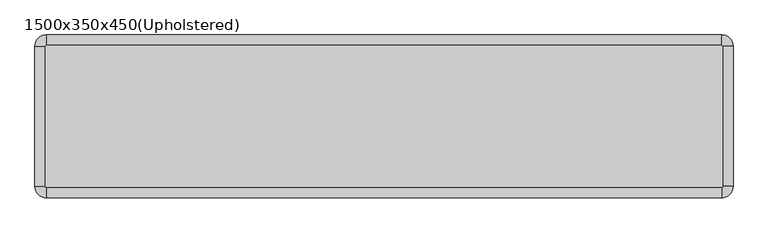
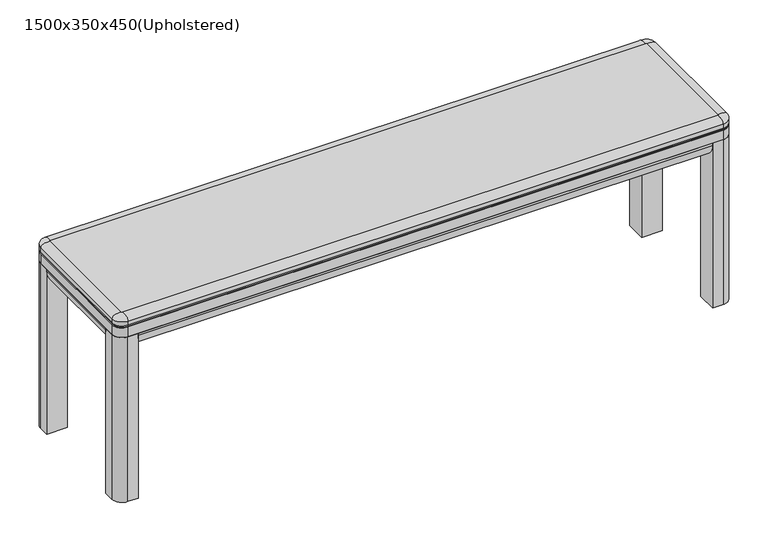
"""IFC4 building model written with IfcOpenShell, lengths in millimetres: furniture geometry, 1500x350x450(Upholstered)."""

import ifcopenshell
import ifcopenshell.guid

model = None  # the IFC model being written
_history = None  # IfcOwnerHistory: only IFC2X3 demands one
_inside = {}  # id of a spatial element -> (the spatial element, [elements in it])
_under = {}  # id of a project, library or spatial element -> (it, [spatial elements below it])
_declared = {}  # id of a project -> (the project, [libraries it declares])
_typed = {}  # id of a type object -> (the type object, [elements of that type])
_made_of = {}  # id of a material, layer set ... -> (it, [elements and type objects made of it])


def new_model(schema):
    """Start an empty IFC model of exactly this schema.

    Asked for "IFC4X3", IfcOpenShell would pick the latest addendum, in which some entities
    have other attributes; the version numbers below select the first issue.
    IFC2X3 requires an IfcOwnerHistory on every rooted entity: one is made here for all.
    """
    global model, _history
    if schema == "IFC4X3":
        model = ifcopenshell.file(schema_version=(4, 3, 0, 0))
    else:
        model = ifcopenshell.file(schema=schema)
    _inside.clear()
    _under.clear()
    _declared.clear()
    _typed.clear()
    _made_of.clear()
    _history = None
    if model.schema == "IFC2X3":
        org = make("IfcOrganization", Name="unknown")
        user = make(
            "IfcPersonAndOrganization",
            ThePerson=make("IfcPerson", FamilyName="unknown"),
            TheOrganization=org,
        )
        app = make(
            "IfcApplication",
            ApplicationDeveloper=org,
            Version="unknown",
            ApplicationFullName="unknown",
            ApplicationIdentifier="unknown",
        )
        _history = make(
            "IfcOwnerHistory",
            OwningUser=user,
            OwningApplication=app,
            ChangeAction="ADDED",
            CreationDate=0,
        )
    return model


def make(cls, **values):
    """One entity of the class cls with the attributes given. An attribute that is None is left unset."""
    return model.create_entity(
        cls, **{name: value for name, value in values.items() if value is not None}
    )


def rooted(cls, **values):
    """An entity with a GlobalId (a new one), such as an element, a storey or a relation."""
    return make(cls, GlobalId=ifcopenshell.guid.new(), OwnerHistory=_history, **values)


def si_unit(unit_type, name, prefix=None):
    """IfcSIUnit, for example si_unit("LENGTHUNIT", "METRE", prefix="MILLI")."""
    return make("IfcSIUnit", UnitType=unit_type, Prefix=prefix, Name=name)


def assignment(units):
    """IfcUnitAssignment: the units of a project."""
    return None if units is None else make("IfcUnitAssignment", Units=units)


def point(xyz):
    """IfcCartesianPoint."""
    return None if xyz is None else make("IfcCartesianPoint", Coordinates=xyz)


def direction(xyz):
    """IfcDirection."""
    return None if xyz is None else make("IfcDirection", DirectionRatios=xyz)


def frame(location, z_axis=None, x_axis=None):
    """IfcAxis2Placement3D, a coordinate frame: its origin and axes. An axis left out is left unset."""
    return make(
        "IfcAxis2Placement3D",
        Location=point(location),
        Axis=direction(z_axis),
        RefDirection=direction(x_axis),
    )


def frame_2d(location, x_axis=None):
    """IfcAxis2Placement2D, a coordinate frame in the plane: its origin and x axis."""
    return make(
        "IfcAxis2Placement2D", Location=point(location), RefDirection=direction(x_axis)
    )


def origin():
    """The frame at (0, 0, 0) with its axes left unset."""
    return frame((0.0, 0.0, 0.0))


def origin_with_axes():
    """The frame at (0, 0, 0) with the z axis (0, 0, 1) and the x axis (1, 0, 0) written out."""
    return frame((0.0, 0.0, 0.0), z_axis=(0.0, 0.0, 1.0), x_axis=(1.0, 0.0, 0.0))


def place(relative_to, where):
    """IfcLocalPlacement: puts the frame where relative to a parent placement (None: the world)."""
    return make(
        "IfcLocalPlacement", PlacementRelTo=relative_to, RelativePlacement=where
    )


def context(
    kind, dimensions, precision=None, world=None, true_north=None, identifier=None
):
    """IfcGeometricRepresentationContext, for example the 3D "Model" context."""
    return make(
        "IfcGeometricRepresentationContext",
        ContextIdentifier=identifier,
        ContextType=kind,
        CoordinateSpaceDimension=dimensions,
        Precision=precision,
        WorldCoordinateSystem=world,
        TrueNorth=true_north,
    )


def project(units=None, contexts=None):
    """IfcProject with its units and contexts."""
    return rooted(
        "IfcProject",
        Name="project",
        RepresentationContexts=contexts,
        UnitsInContext=assignment(units),
    )


def spatial(cls, under=None, at=None, **own):
    """A site, building, storey or space (cls), placed at a placement, below another one or the project."""
    s = rooted(cls, ObjectPlacement=at, **own)
    if under is not None:
        _under.setdefault(under.id(), (under, []))[1].append(s)
    return s


def polyline(points):
    """IfcPolyline through the points."""
    return make("IfcPolyline", Points=[point(p) for p in points])


def circle_curve(where, radius):
    """IfcCircle in the frame where."""
    return make("IfcCircle", Position=where, Radius=radius)


def ellipse_curve(where, semi_axis1, semi_axis2):
    """IfcEllipse in the frame where."""
    return make(
        "IfcEllipse", Position=where, SemiAxis1=semi_axis1, SemiAxis2=semi_axis2
    )


def trimmed(basis, trim1, trim2, sense, master):
    """IfcTrimmedCurve: the piece of a basis curve between two trims."""
    return make(
        "IfcTrimmedCurve",
        BasisCurve=basis,
        Trim1=trim1,
        Trim2=trim2,
        SenseAgreement=sense,
        MasterRepresentation=master,
    )


def segment(curve, same_sense, transition):
    """IfcCompositeCurveSegment."""
    return make(
        "IfcCompositeCurveSegment",
        Transition=transition,
        SameSense=same_sense,
        ParentCurve=curve,
    )


def composite_curve(segments, self_intersect=None):
    """IfcCompositeCurve: segments joined end to end."""
    return make("IfcCompositeCurve", Segments=segments, SelfIntersect=self_intersect)


def outline(outer, holes=None, kind="AREA"):
    """IfcArbitraryClosedProfileDef: a profile drawn as a closed curve; with holes, ...WithVoids."""
    if holes is None:
        return make("IfcArbitraryClosedProfileDef", ProfileType=kind, OuterCurve=outer)
    return make(
        "IfcArbitraryProfileDefWithVoids",
        ProfileType=kind,
        OuterCurve=outer,
        InnerCurves=holes,
    )


def extrude(swept, where, along, depth):
    """IfcExtrudedAreaSolid: the profile swept, set in the frame where, extruded along a direction by depth."""
    return make(
        "IfcExtrudedAreaSolid",
        SweptArea=swept,
        Position=where,
        ExtrudedDirection=direction(along),
        Depth=depth,
    )


def shape(context_of_items, identifier, shape_type, items):
    """IfcShapeRepresentation: the items that make up one representation, for example the "Body"."""
    return make(
        "IfcShapeRepresentation",
        ContextOfItems=context_of_items,
        RepresentationIdentifier=identifier,
        RepresentationType=shape_type,
        Items=items,
    )


def source(mapping_origin, context_of_items, identifier, shape_type, items):
    """IfcRepresentationMap: a shape defined once, which mapped items show again and again."""
    return make(
        "IfcRepresentationMap",
        MappingOrigin=mapping_origin,
        MappedRepresentation=shape(context_of_items, identifier, shape_type, items),
    )


def transform(
    local_origin,
    x_axis=None,
    y_axis=None,
    z_axis=None,
    scale=None,
    scale2=None,
    scale3=None,
    uniform=True,
):
    """IfcCartesianTransformationOperator3D, or its non-uniform kind. x_axis, y_axis, z_axis: its Axis1, 2, 3."""
    if uniform:
        return make(
            "IfcCartesianTransformationOperator3D",
            Axis1=direction(x_axis),
            Axis2=direction(y_axis),
            LocalOrigin=point(local_origin),
            Scale=scale,
            Axis3=direction(z_axis),
        )
    return make(
        "IfcCartesianTransformationOperator3DnonUniform",
        Axis1=direction(x_axis),
        Axis2=direction(y_axis),
        LocalOrigin=point(local_origin),
        Scale=scale,
        Axis3=direction(z_axis),
        Scale2=scale2,
        Scale3=scale3,
    )


def mapped(mapping_source, mapping_target):
    """IfcMappedItem: shows the shape of a source again, moved by a transform."""
    return make(
        "IfcMappedItem", MappingSource=mapping_source, MappingTarget=mapping_target
    )


def made_of(thing, what):
    """Note that an element or type object is made of a material, layer set ...; save() writes the relation."""
    if what is not None:
        _made_of.setdefault(what.id(), (what, []))[1].append(thing)
    return thing


def element(
    cls,
    number,
    at=None,
    inside=None,
    cuts=None,
    type_object=None,
    material=None,
    context=None,
    identifier="Body",
    shape_type=None,
    held_by="IfcProductDefinitionShape",
    body=None,
    shapes=None,
    **own,
):
    """One element of the class cls, such as IfcWall. Its Tag is "e" and its number.

    at: its placement. inside: the storey or other place that contains it. cuts: it is an
    opening in that element (IfcRelVoidsElement). A single representation is given by context,
    identifier, shape_type and body (its items); several are given by shapes. held_by: the class
    of the entity that holds the representations. save() writes the other relations.
    """
    e = rooted(cls, Tag="e%d" % number, ObjectPlacement=at, **own)
    if body is not None:
        shapes = [shape(context, identifier, shape_type, body)]
    if shapes is not None:
        e.Representation = make(held_by, Representations=shapes)
    if inside is not None:
        _inside.setdefault(inside.id(), (inside, []))[1].append(e)
    if cuts is not None:
        rooted(
            "IfcRelVoidsElement", RelatingBuildingElement=cuts, RelatedOpeningElement=e
        )
    if type_object is not None:
        _typed.setdefault(type_object.id(), (type_object, []))[1].append(e)
    return made_of(e, material)


def aggregate(whole, parts):
    """IfcRelAggregates: a whole, such as a stair, and the parts it consists of."""
    return rooted("IfcRelAggregates", RelatingObject=whole, RelatedObjects=parts)


def save(model, path):
    """Write the relations noted so far, then the file.

    IfcRelAggregates (storeys below a building ...), IfcRelContainedInSpatialStructure (elements
    in a storey), IfcRelDefinesByType, IfcRelAssociatesMaterial and IfcRelDeclares: one each for
    every whole, place, type object, material and project.
    """
    for whole, parts in _under.values():
        aggregate(whole, parts)
    for where, things in _inside.values():
        rooted(
            "IfcRelContainedInSpatialStructure",
            RelatedElements=things,
            RelatingStructure=where,
        )
    for kind, things in _typed.values():
        rooted("IfcRelDefinesByType", RelatedObjects=things, RelatingType=kind)
    for what, things in _made_of.values():
        rooted("IfcRelAssociatesMaterial", RelatedObjects=things, RelatingMaterial=what)
    for by, libraries in _declared.values():
        rooted("IfcRelDeclares", RelatingContext=by, RelatedDefinitions=libraries)
    model.write(path)


def plane_surface(at):
    """IfcPlane: the flat surface through the origin of the frame at, square to its z axis."""
    return make("IfcPlane", Position=at)


def cylinder_surface(at, radius):
    """IfcCylindricalSurface: all points at the distance radius from the z axis of the frame at."""
    return make("IfcCylindricalSurface", Position=at, Radius=radius)


def revolved_surface(curve, axis_point, axis_direction):
    """IfcSurfaceOfRevolution: the curve turned about the line through axis_point along axis_direction."""
    return make(
        "IfcSurfaceOfRevolution",
        SweptCurve=make("IfcArbitraryOpenProfileDef", ProfileType="CURVE", Curve=curve),
        AxisPosition=make("IfcAxis1Placement", Location=point(axis_point), Axis=direction(axis_direction)),
    )


def extruded_surface(curve, direction_of_extrusion, depth):
    """IfcSurfaceOfLinearExtrusion: the curve pushed along a direction by depth."""
    return make(
        "IfcSurfaceOfLinearExtrusion",
        SweptCurve=make("IfcArbitraryOpenProfileDef", ProfileType="CURVE", Curve=curve),
        ExtrudedDirection=direction(direction_of_extrusion),
        Depth=depth,
    )


def spline_curve(degree, points, multiplicities, knots, weights=None):
    """IfcBSplineCurveWithKnots; with weights, IfcRationalBSplineCurveWithKnots."""
    own = dict(
        Degree=degree,
        ControlPointsList=[point(p) for p in points],
        CurveForm="UNSPECIFIED",
        ClosedCurve=False,
        SelfIntersect=False,
        KnotMultiplicities=multiplicities,
        Knots=knots,
        KnotSpec="UNSPECIFIED",
    )
    if weights is None:
        return make("IfcBSplineCurveWithKnots", **own)
    return make("IfcRationalBSplineCurveWithKnots", WeightsData=weights, **own)


def advanced_brep(points, edges, surfaces, faces):
    """IfcAdvancedBrep: a solid bounded by faces that lie on surfaces and meet in shared edges.

    An edge is (start, end): straight between two places in points (the first is 0);
    or (start, end, curve); or (start, end, curve, False) where it runs against its curve.
    A face is (place in surfaces, loops), or (place, loops, False) where it looks against
    its surface's normal. A loop lists edges by number (the first is 1), with a minus sign
    where the edge is run from its end to its start. The first loop is the outer one.
    """
    corners = [point(p) for p in points]
    vertices = [make("IfcVertexPoint", VertexGeometry=c) for c in corners]
    made = []
    for start, end, *more in edges:
        made.append(
            make(
                "IfcEdgeCurve",
                EdgeStart=vertices[start],
                EdgeEnd=vertices[end],
                EdgeGeometry=more[0] if more else make("IfcPolyline", Points=[corners[start], corners[end]]),
                SameSense=more[1] if len(more) > 1 else True,
            )
        )
    hull = []
    for where, loops, *sense in faces:
        bounds = []
        for j, loop in enumerate(loops):
            ring = [make("IfcOrientedEdge", EdgeElement=made[abs(k) - 1], Orientation=k > 0) for k in loop]
            bounds.append(
                make(
                    "IfcFaceOuterBound" if j == 0 else "IfcFaceBound",
                    Bound=make("IfcEdgeLoop", EdgeList=ring),
                    Orientation=True,
                )
            )
        hull.append(make("IfcAdvancedFace", Bounds=bounds, FaceSurface=surfaces[where], SameSense=sense[0] if sense else True))
    return make("IfcAdvancedBrep", Outer=make("IfcClosedShell", CfsFaces=hull))


def furniture_1500x350x450_upholstered_8391d502(model_context):
    return source(origin(), model_context, "Body", "SolidModel", [
        extrude(outline(composite_curve([segment(polyline([(425.0, 50.0), (425.0, 0.0), (419.5872996, 0.0)]), True, "CONTINUOUS"), segment(trimmed(circle_curve(frame_2d((419.5872996, 35.0)), 35.0), [point((419.5872996, 0.0))], [point((385.0, 29.6410162))], False, "CARTESIAN"), True, "CONTINUOUS"), segment(polyline([(385.0, 29.6410162), (385.0, 50.0), (425.0, 50.0)]), True, "CONTINUOUS")], self_intersect=False)), frame((0.0, -300.0, 0.0), z_axis=(0.0, 1.0, 0.0), x_axis=(0.0, 0.0, 1.0)), (0.0, 0.0, 1.0), 250.0),
        extrude(outline(composite_curve([segment(polyline([(425.0, 1450.0), (385.0, 1450.0), (385.0, 1470.3589838)]), True, "CONTINUOUS"), segment(trimmed(circle_curve(frame_2d((419.5872996, 1465.0)), 35.0), [point((385.0, 1470.3589838))], [point((419.5872996, 1500.0))], False, "CARTESIAN"), True, "CONTINUOUS"), segment(polyline([(419.5872996, 1500.0), (425.0, 1500.0), (425.0, 1450.0)]), True, "CONTINUOUS")], self_intersect=False)), frame((0.0, -300.0, 0.0), z_axis=(0.0, 1.0, 0.0), x_axis=(0.0, 0.0, 1.0)), (0.0, 0.0, 1.0), 250.0),
        extrude(outline(composite_curve([segment(polyline([(-300.0, 425.0), (-300.0, 385.0), (-320.3589838, 385.0)]), True, "CONTINUOUS"), segment(trimmed(circle_curve(frame_2d((-315.0, 419.5872996)), 35.0), [point((-320.3589838, 385.0))], [point((-350.0, 419.5872996))], False, "CARTESIAN"), True, "CONTINUOUS"), segment(polyline([(-350.0, 419.5872996), (-350.0, 425.0), (-300.0, 425.0)]), True, "CONTINUOUS")], self_intersect=False)), frame((50.0, 0.0, 0.0), z_axis=(1.0, 0.0, 0.0), x_axis=(0.0, 1.0, 0.0)), (0.0, 0.0, 1.0), 1400.0),
        extrude(outline(composite_curve([segment(trimmed(circle_curve(frame_2d((24.5098039, -325.4901961)), 24.5098039), [point((24.5098039, -350.0))], [point((0.0, -325.4901961))], False, "CARTESIAN"), True, "CONTINUOUS"), segment(polyline([(0.0, -325.4901961), (0.0, -300.0), (50.0, -300.0), (50.0, -350.0), (24.5098039, -350.0)]), True, "CONTINUOUS")], self_intersect=False)), origin_with_axes(), (0.0, 0.0, 1.0), 425.0),
        extrude(outline(composite_curve([segment(trimmed(circle_curve(frame_2d((24.5098039, -24.5098039)), 24.5098039), [point((0.0, -24.5098039))], [point((24.5098039, 0.0))], False, "CARTESIAN"), True, "CONTINUOUS"), segment(polyline([(24.5098039, 0.0), (50.0, 0.0), (50.0, -50.0), (0.0, -50.0), (0.0, -24.5098039)]), True, "CONTINUOUS")], self_intersect=False)), origin_with_axes(), (0.0, 0.0, 1.0), 425.0),
        extrude(outline(composite_curve([segment(trimmed(circle_curve(frame_2d((1475.4901961, -24.5098039)), 24.5098039), [point((1475.4901961, 0.0))], [point((1500.0, -24.5098039))], False, "CARTESIAN"), True, "CONTINUOUS"), segment(polyline([(1500.0, -24.5098039), (1500.0, -50.0), (1450.0, -50.0), (1450.0, 0.0), (1475.4901961, 0.0)]), True, "CONTINUOUS")], self_intersect=False)), origin_with_axes(), (0.0, 0.0, 1.0), 425.0),
        extrude(outline(composite_curve([segment(trimmed(circle_curve(frame_2d((1475.4901961, -325.4901961)), 24.5098039), [point((1500.0, -325.4901961))], [point((1475.4901961, -350.0))], False, "CARTESIAN"), True, "CONTINUOUS"), segment(polyline([(1475.4901961, -350.0), (1450.0, -350.0), (1450.0, -300.0), (1500.0, -300.0), (1500.0, -325.4901961)]), True, "CONTINUOUS")], self_intersect=False)), origin_with_axes(), (0.0, 0.0, 1.0), 425.0),
        extrude(outline(composite_curve([segment(polyline([(-50.0, 425.0), (0.0, 425.0), (0.0, 419.5872996)]), True, "CONTINUOUS"), segment(trimmed(circle_curve(frame_2d((-35.0, 419.5872996)), 35.0), [point((0.0, 419.5872996))], [point((-29.6410162, 385.0))], False, "CARTESIAN"), True, "CONTINUOUS"), segment(polyline([(-29.6410162, 385.0), (-50.0, 385.0), (-50.0, 425.0)]), True, "CONTINUOUS")], self_intersect=False)), frame((50.0, 0.0, 0.0), z_axis=(1.0, 0.0, 0.0), x_axis=(0.0, 1.0, 0.0)), (0.0, 0.0, 1.0), 1400.0),
        extrude(outline(composite_curve([segment(trimmed(circle_curve(frame_2d((1475.4901961, -24.5098039)), 24.5098039), [point((1475.4901961, 0.0))], [point((1500.0, -24.5098039))], False, "CARTESIAN"), True, "CONTINUOUS"), segment(polyline([(1500.0, -24.5098039), (1500.0, -325.4901961)]), True, "CONTINUOUS"), segment(trimmed(circle_curve(frame_2d((1475.4901961, -325.4901961)), 24.5098039), [point((1500.0, -325.4901961))], [point((1475.4901961, -350.0))], False, "CARTESIAN"), True, "CONTINUOUS"), segment(polyline([(1475.4901961, -350.0), (24.5098039, -350.0)]), True, "CONTINUOUS"), segment(trimmed(circle_curve(frame_2d((24.5098039, -325.4901961)), 24.5098039), [point((24.5098039, -350.0))], [point((0.0, -325.4901961))], False, "CARTESIAN"), True, "CONTINUOUS"), segment(polyline([(0.0, -325.4901961), (0.0, -24.5098039)]), True, "CONTINUOUS"), segment(trimmed(circle_curve(frame_2d((24.5098039, -24.5098039)), 24.5098039), [point((0.0, -24.5098039))], [point((24.5098039, 0.0))], False, "CARTESIAN"), True, "CONTINUOUS"), segment(polyline([(24.5098039, 0.0), (1475.4901961, 0.0)]), True, "CONTINUOUS")], self_intersect=False)), frame((0.0, 0.0, 425.0), z_axis=(0.0, 0.0, 1.0), x_axis=(1.0, 0.0, 0.0)), (0.0, 0.0, 1.0), 25.0),
        advanced_brep(
        [(24.5098039, -22.694664, 475.0), (22.694664, -24.5098039, 475.0), (22.694664, -325.4901961, 475.0), (24.5098039, -327.305336, 475.0), (1475.4901961, -327.305336, 475.0), (1477.305336, -325.4901961, 475.0), (1477.305336, -24.5098039, 475.0), (1475.4901961, -22.694664, 475.0), (2.9103948, -24.5098039, 450.0), (24.5098039, -2.9103948, 450.0), (1475.4901961, -2.9103948, 450.0), (1497.0896052, -24.5098039, 450.0), (1497.0896052, -325.4901961, 450.0), (1475.4901961, -347.0896052, 450.0), (24.5098039, -347.0896052, 450.0), (2.9103948, -325.4901961, 450.0), (0.0, -24.5098039, 465.0), (0.0, -24.5098039, 455.0), (0.0, -325.4901961, 455.0), (0.0, -325.4901961, 465.0), (24.5098039, -350.0, 455.0), (24.5098039, -350.0, 465.0), (1475.4901961, -350.0, 455.0), (1475.4901961, -350.0, 465.0), (1500.0, -325.4901961, 455.0), (1500.0, -325.4901961, 465.0), (1500.0, -24.5098039, 455.0), (1500.0, -24.5098039, 465.0), (1475.4901961, 0.0, 455.0), (1475.4901961, 0.0, 465.0), (24.5098039, 0.0, 455.0), (24.5098039, 0.0, 465.0)],
        [
            (0, 1, circle_curve(frame((24.5098039, -24.5098039, 475.0), z_axis=(0.0, 0.0, 1.0), x_axis=(0.0, 1.0, 0.0)), 1.8151399)),
            (1, 2),
            (2, 3, circle_curve(frame((24.5098039, -325.4901961, 475.0), z_axis=(0.0, 0.0, 1.0), x_axis=(-1.0, 0.0, 0.0)), 1.8151399)),
            (3, 4),
            (4, 5, circle_curve(frame((1475.4901961, -325.4901961, 475.0), z_axis=(0.0, 0.0, 1.0), x_axis=(0.0, -1.0, 0.0)), 1.8151399)),
            (5, 6),
            (6, 7, circle_curve(frame((1475.4901961, -24.5098039, 475.0), z_axis=(0.0, 0.0, 1.0), x_axis=(1.0, 0.0, 0.0)), 1.8151399)),
            (7, 0),
            (8, 9, circle_curve(frame((24.5098039, -24.5098039, 450.0), z_axis=(0.0, 0.0, -1.0), x_axis=(0.0, 1.0, 0.0)), 21.5994091)),
            (9, 10),
            (10, 11, circle_curve(frame((1475.4901961, -24.5098039, 450.0), z_axis=(0.0, 0.0, -1.0), x_axis=(1.0, 0.0, 0.0)), 21.5994091)),
            (11, 12),
            (12, 13, circle_curve(frame((1475.4901961, -325.4901961, 450.0), z_axis=(0.0, 0.0, -1.0), x_axis=(0.0, -1.0, 0.0)), 21.5994091)),
            (13, 14),
            (14, 15, circle_curve(frame((24.5098039, -325.4901961, 450.0), z_axis=(0.0, 0.0, -1.0), x_axis=(-1.0, 0.0, 0.0)), 21.5994091)),
            (15, 8),
            (16, 17),
            (17, 18),
            (18, 19),
            (19, 16),
            (18, 20, circle_curve(frame((24.5098039, -325.4901961, 455.0), z_axis=(0.0, 0.0, 1.0), x_axis=(1.0, 0.0, 0.0)), 24.5098039)),
            (20, 21),
            (21, 19, circle_curve(frame((24.5098039, -325.4901961, 465.0), z_axis=(0.0, 0.0, -1.0), x_axis=(1.0, 0.0, 0.0)), 24.5098039)),
            (20, 22),
            (22, 23),
            (23, 21),
            (22, 24, circle_curve(frame((1475.4901961, -325.4901961, 455.0), z_axis=(0.0, 0.0, 1.0), x_axis=(1.0, 0.0, 0.0)), 24.5098039)),
            (24, 25),
            (25, 23, circle_curve(frame((1475.4901961, -325.4901961, 465.0), z_axis=(0.0, 0.0, -1.0), x_axis=(1.0, 0.0, 0.0)), 24.5098039)),
            (24, 26),
            (26, 27),
            (27, 25),
            (26, 28, circle_curve(frame((1475.4901961, -24.5098039, 455.0), z_axis=(0.0, 0.0, 1.0), x_axis=(1.0, 0.0, 0.0)), 24.5098039)),
            (28, 29),
            (29, 27, circle_curve(frame((1475.4901961, -24.5098039, 465.0), z_axis=(0.0, 0.0, -1.0), x_axis=(1.0, 0.0, 0.0)), 24.5098039)),
            (28, 30),
            (30, 31),
            (31, 29),
            (16, 31, circle_curve(frame((24.5098039, -24.5098039, 465.0), z_axis=(0.0, 0.0, -1.0), x_axis=(1.0, 0.0, 0.0)), 24.5098039)),
            (30, 17, circle_curve(frame((24.5098039, -24.5098039, 455.0), z_axis=(0.0, 0.0, 1.0), x_axis=(1.0, 0.0, 0.0)), 24.5098039)),
            (16, 1, spline_curve(3, [(0.0, -24.5098039, 465.0), (0.0, -24.5098039, 475.0), (8.074522434, -24.5098039, 474.489453407), (22.694664, -24.5098039, 475.0)], [4, 4], [0.0, 0.03578269935617781])),
            (0, 31, spline_curve(3, [(24.5098039, -22.694664, 475.0), (24.5098039, -8.074522434, 474.489453407), (24.5098039, 0.0, 475.0), (24.5098039, 0.0, 465.0)], [4, 4], [0.0, 0.03578269935617781])),
            (19, 2, spline_curve(3, [(0.0, -325.4901961, 465.0), (0.0, -325.4901961, 475.0), (8.074522434, -325.4901961, 474.489453407), (22.694664, -325.4901961, 475.0)], [4, 4], [0.0, 0.03578269935617781])),
            (21, 3, spline_curve(3, [(24.5098039, -350.0, 465.0), (24.5098039, -350.0, 475.0), (24.5098039, -341.925477566, 474.489453407), (24.5098039, -327.305336, 475.0)], [4, 4], [0.0, 0.03578269935617781])),
            (23, 4, spline_curve(3, [(1475.4901961, -350.0, 465.0), (1475.4901961, -350.0, 475.0), (1475.4901961, -341.925477566, 474.489453407), (1475.4901961, -327.305336, 475.0)], [4, 4], [0.0, 0.03578269935617781])),
            (25, 5, spline_curve(3, [(1500.0, -325.4901961, 465.0), (1500.0, -325.4901961, 475.0), (1491.925477566, -325.4901961, 474.489453407), (1477.305336, -325.4901961, 475.0)], [4, 4], [0.0, 0.03578269935617781])),
            (27, 6, spline_curve(3, [(1500.0, -24.5098039, 465.0), (1500.0, -24.5098039, 475.0), (1491.925477566, -24.5098039, 474.489453407), (1477.305336, -24.5098039, 475.0)], [4, 4], [0.0, 0.03578269935617781])),
            (29, 7, spline_curve(3, [(1475.4901961, 0.0, 465.0), (1475.4901961, 0.0, 475.0), (1475.4901961, -8.074522434, 474.489453407), (1475.4901961, -22.694664, 475.0)], [4, 4], [0.0, 0.03578269935617781])),
            (8, 17, circle_curve(frame((5.7501474, -24.5098039, 455.0), z_axis=(0.0, 1.0, 0.0), x_axis=(1.0, 0.0, 0.0)), 5.7501474)),
            (30, 9, circle_curve(frame((24.5098039, -5.7501474, 455.0), z_axis=(-1.0, 0.0, 0.0), x_axis=(0.0, -1.0, 0.0)), 5.7501474)),
            (15, 18, circle_curve(frame((5.7501474, -325.4901961, 455.0), z_axis=(0.0, 1.0, 0.0), x_axis=(1.0, 0.0, 0.0)), 5.7501474)),
            (14, 20, circle_curve(frame((24.5098039, -344.2498526, 455.0), z_axis=(-1.0, 0.0, 0.0), x_axis=(0.0, 1.0, 0.0)), 5.7501474)),
            (13, 22, circle_curve(frame((1475.4901961, -344.2498526, 455.0), z_axis=(-1.0, 0.0, 0.0), x_axis=(0.0, 1.0, 0.0)), 5.7501474)),
            (12, 24, circle_curve(frame((1494.2498526, -325.4901961, 455.0), z_axis=(0.0, -1.0, 0.0), x_axis=(-1.0, 0.0, 0.0)), 5.7501474)),
            (11, 26, circle_curve(frame((1494.2498526, -24.5098039, 455.0), z_axis=(0.0, -1.0, 0.0), x_axis=(-1.0, 0.0, 0.0)), 5.7501474)),
            (10, 28, circle_curve(frame((1475.4901961, -5.7501474, 455.0), z_axis=(1.0, 0.0, 0.0), x_axis=(0.0, -1.0, 0.0)), 5.7501474)),
        ],
        [
            plane_surface(frame((0.0, 1148.3407119, 475.0), z_axis=(0.0, 0.0, 1.0), x_axis=(0.0, -1.0, 0.0))),
            plane_surface(frame((0.0, 1148.3407119, 450.0), z_axis=(0.0, 0.0, -1.0), x_axis=(0.0, 1.0, 0.0))),
            plane_surface(frame((0.0, -24.5098039, 475.0), z_axis=(-1.0, 0.0, 0.0), x_axis=(0.0, 0.0, -1.0))),
            cylinder_surface(frame((24.5098039, -325.4901961, 450.0), z_axis=(0.0, 0.0, 1.0), x_axis=(1.0, 0.0, 0.0)), 24.5098039),
            plane_surface(frame((24.5098039, -350.0, 475.0), z_axis=(0.0, -1.0, 0.0), x_axis=(0.0, 0.0, -1.0))),
            cylinder_surface(frame((1475.4901961, -325.4901961, 450.0), z_axis=(0.0, 0.0, 1.0), x_axis=(1.0, 0.0, 0.0)), 24.5098039),
            plane_surface(frame((1500.0, -325.4901961, 475.0), z_axis=(1.0, 0.0, 0.0), x_axis=(0.0, 0.0, -1.0))),
            cylinder_surface(frame((1475.4901961, -24.5098039, 450.0), z_axis=(0.0, 0.0, 1.0), x_axis=(1.0, 0.0, 0.0)), 24.5098039),
            plane_surface(frame((1475.4901961, 0.0, 475.0), z_axis=(0.0, 1.0, 0.0), x_axis=(0.0, 0.0, -1.0))),
            cylinder_surface(frame((24.5098039, -24.5098039, 450.0), z_axis=(0.0, 0.0, 1.0), x_axis=(1.0, 0.0, 0.0)), 24.5098039),
            revolved_surface(spline_curve(3, [(24.5098039, -22.694664, 475.0), (24.5098039, -8.074522434, 474.489453407), (24.5098039, 0.0, 475.0), (24.5098039, 0.0, 465.0)], [4, 4], [0.0, 0.03578269935617781]), (24.5098039, -24.5098039, 450.0), (0.0, 0.0, 1.0)),
            extruded_surface(spline_curve(3, [(22.694664, -24.5098039, 475.0), (8.074522434, -24.5098039, 474.489453407), (0.0, -24.5098039, 475.0), (0.0, -24.5098039, 465.0)], [4, 4], [0.0, 0.03578269935617781]), (0.0, -300.9803922, 0.0), 300.9803922),
            revolved_surface(spline_curve(3, [(22.694664, -325.4901961, 475.0), (8.074522434, -325.4901961, 474.489453407), (0.0, -325.4901961, 475.0), (0.0, -325.4901961, 465.0)], [4, 4], [0.0, 0.03578269935617781]), (24.5098039, -325.4901961, 450.0), (0.0, 0.0, 1.0)),
            extruded_surface(spline_curve(3, [(24.5098039, -327.305336, 475.0), (24.5098039, -341.925477566, 474.489453407), (24.5098039, -350.0, 475.0), (24.5098039, -350.0, 465.0)], [4, 4], [0.0, 0.03578269935617781]), (1450.9803922, 0.0, 0.0), 1450.9803922),
            revolved_surface(spline_curve(3, [(1475.4901961, -327.305336, 475.0), (1475.4901961, -341.925477566, 474.489453407), (1475.4901961, -350.0, 475.0), (1475.4901961, -350.0, 465.0)], [4, 4], [0.0, 0.03578269935617781]), (1475.4901961, -325.4901961, 450.0), (0.0, 0.0, 1.0)),
            extruded_surface(spline_curve(3, [(1477.305336, -325.4901961, 475.0), (1491.925477566, -325.4901961, 474.489453407), (1500.0, -325.4901961, 475.0), (1500.0, -325.4901961, 465.0)], [4, 4], [0.0, 0.03578269935617781]), (0.0, 300.9803922, 0.0), 300.9803922),
            revolved_surface(spline_curve(3, [(1477.305336, -24.5098039, 475.0), (1491.925477566, -24.5098039, 474.489453407), (1500.0, -24.5098039, 475.0), (1500.0, -24.5098039, 465.0)], [4, 4], [0.0, 0.03578269935617781]), (1475.4901961, -24.5098039, 450.0), (0.0, 0.0, 1.0)),
            extruded_surface(spline_curve(3, [(1475.4901961, -22.694664, 475.0), (1475.4901961, -8.074522434, 474.489453407), (1475.4901961, 0.0, 475.0), (1475.4901961, 0.0, 465.0)], [4, 4], [0.0, 0.03578269935617781]), (-1450.9803922, 0.0, 0.0), 1450.9803922),
            revolved_surface(trimmed(ellipse_curve(frame((24.5098039, -5.7501474, 455.0), z_axis=(1.0, 0.0, 0.0), x_axis=(0.0, -1.0, 0.0)), 5.7501474, 5.7501474), [point((24.5098039, -2.9103948, 450.0))], [point((24.5098039, 0.0, 455.0))], True, "CARTESIAN"), (24.5098039, -24.5098039, 450.0), (0.0, 0.0, 1.0)),
            cylinder_surface(frame((5.7501474, -24.5098039, 455.0), z_axis=(0.0, -1.0, 0.0), x_axis=(1.0, 0.0, 0.0)), 5.7501474),
            revolved_surface(trimmed(ellipse_curve(frame((5.7501474, -325.4901961, 455.0), z_axis=(0.0, 1.0, 0.0), x_axis=(1.0, 0.0, 0.0)), 5.7501474, 5.7501474), [point((2.9103948, -325.4901961, 450.0))], [point((0.0, -325.4901961, 455.0))], True, "CARTESIAN"), (24.5098039, -325.4901961, 450.0), (0.0, 0.0, 1.0)),
            cylinder_surface(frame((24.5098039, -344.2498526, 455.0), z_axis=(1.0, 0.0, 0.0), x_axis=(0.0, 1.0, 0.0)), 5.7501474),
            revolved_surface(trimmed(ellipse_curve(frame((1475.4901961, -344.2498526, 455.0), z_axis=(-1.0, 0.0, 0.0), x_axis=(0.0, 1.0, 0.0)), 5.7501474, 5.7501474), [point((1475.4901961, -347.0896052, 450.0))], [point((1475.4901961, -350.0, 455.0))], True, "CARTESIAN"), (1475.4901961, -325.4901961, 450.0), (0.0, 0.0, 1.0)),
            cylinder_surface(frame((1494.2498526, -325.4901961, 455.0), z_axis=(0.0, 1.0, 0.0), x_axis=(-1.0, 0.0, 0.0)), 5.7501474),
            revolved_surface(trimmed(ellipse_curve(frame((1494.2498526, -24.5098039, 455.0), z_axis=(0.0, -1.0, 0.0), x_axis=(-1.0, 0.0, 0.0)), 5.7501474, 5.7501474), [point((1497.0896052, -24.5098039, 450.0))], [point((1500.0, -24.5098039, 455.0))], True, "CARTESIAN"), (1475.4901961, -24.5098039, 450.0), (0.0, 0.0, 1.0)),
            cylinder_surface(frame((1475.4901961, -5.7501474, 455.0), z_axis=(-1.0, 0.0, 0.0), x_axis=(0.0, -1.0, 0.0)), 5.7501474),
        ],
        [
            (0, [[1, 2, 3, 4, 5, 6, 7, 8]]),
            (1, [[9, 10, 11, 12, 13, 14, 15, 16]]),
            (2, [[17, 18, 19, 20]]),
            (3, [[-19, 21, 22, 23]]),
            (4, [[-22, 24, 25, 26]]),
            (5, [[-25, 27, 28, 29]]),
            (6, [[-28, 30, 31, 32]]),
            (7, [[-31, 33, 34, 35]]),
            (8, [[-34, 36, 37, 38]]),
            (9, [[-17, 39, -37, 40]]),
            (10, [[41, -1, 42, -39]], False),
            (11, [[-41, -20, 43, -2]]),
            (12, [[-43, -23, 44, -3]], False),
            (13, [[-44, -26, 45, -4]]),
            (14, [[-45, -29, 46, -5]], False),
            (15, [[-46, -32, 47, -6]]),
            (16, [[-47, -35, 48, -7]], False),
            (17, [[-42, -8, -48, -38]]),
            (18, [[49, -40, 50, -9]]),
            (19, [[-49, -16, 51, -18]]),
            (20, [[-51, -15, 52, -21]]),
            (21, [[-52, -14, 53, -24]]),
            (22, [[-53, -13, 54, -27]]),
            (23, [[-54, -12, 55, -30]]),
            (24, [[-55, -11, 56, -33]]),
            (25, [[-50, -36, -56, -10]]),
        ],
    ),
    ])


if __name__ == "__main__":
    model = new_model("IFC4")
    model_context = context("Model", 3, world=origin())
    ifc_project = project(units=[si_unit("LENGTHUNIT", "METRE", prefix="MILLI")], contexts=[model_context])
    site = spatial("IfcSite", under=ifc_project)
    building = spatial("IfcBuilding", under=site)
    placement = place(None, origin())
    furniture_1500x350x450_upholstered_shape = furniture_1500x350x450_upholstered_8391d502(model_context)
    element("IfcFurniture", 1, ObjectType="1500x350x450(Upholstered)", at=placement, inside=building, context=model_context, shape_type="MappedRepresentation", body=[
        mapped(furniture_1500x350x450_upholstered_shape, transform((0.0, 0.0, 0.0), x_axis=(1.0, 0.0, 0.0), y_axis=(0.0, 1.0, 0.0), z_axis=(0.0, 0.0, 1.0))),
    ])
    save(model, "model.ifc")
